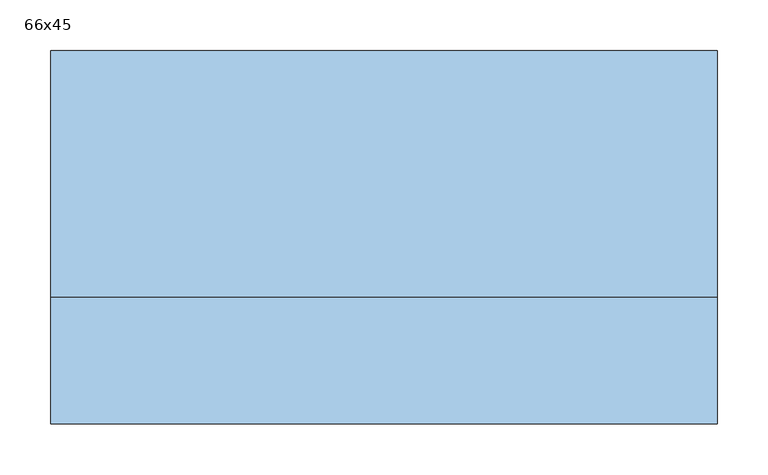
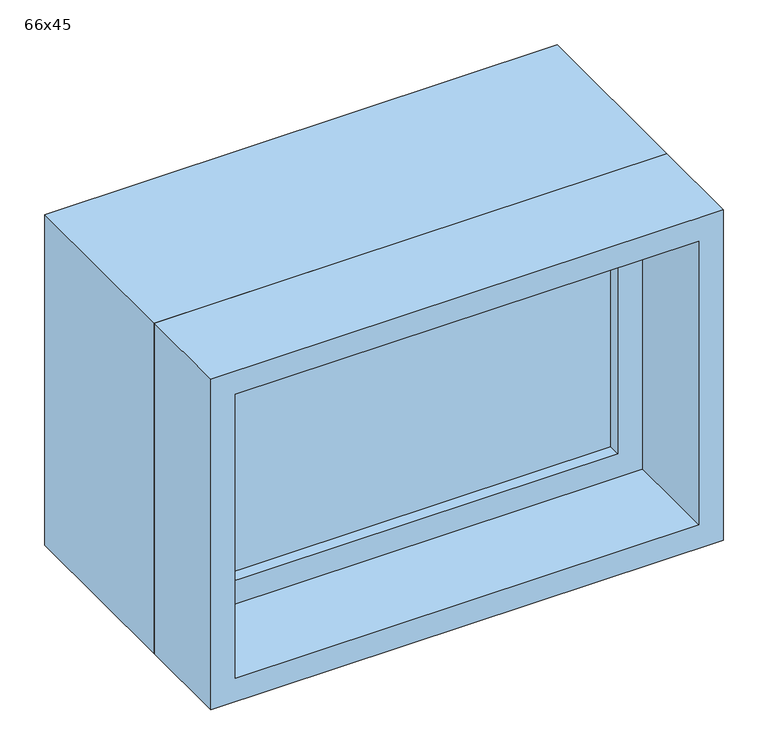
"""IFC4 building model written with IfcOpenShell, lengths in millimetres: window geometry, 66x45."""

from ifc_helpers import new_model, si_unit, frame, origin, place, context, project, spatial, polyline, outline, extrude, source, transform, mapped, element, save


def window_66x45_e4514a0b(model_context):
    return source(origin(), model_context, "Body", "SweptSolid", [
        extrude(outline(polyline([(228.4, -43.575), (-304.6, -43.575), (-304.6, -30.875), (228.4, -30.875), (228.4, -43.575)])), frame((0.0, 0.0, 963.5), z_axis=(0.0, 0.0, 1.0), x_axis=(1.0, 0.0, 0.0)), (0.0, 0.0, 1.0), 323.0),
        extrude(outline(polyline([(1330.95, -349.05), (919.05, -349.05), (919.05, 272.85), (1330.95, 272.85), (1330.95, -349.05)]), holes=[polyline([(1286.5, -304.6), (1286.5, 228.4), (963.5, 228.4), (963.5, -304.6), (1286.5, -304.6)])]), frame((0.0, -59.45, 0.0), z_axis=(0.0, 1.0, 0.0), x_axis=(0.0, 0.0, 1.0)), (0.0, 0.0, 1.0), 44.45),
        extrude(outline(polyline([(1350.0, -368.1), (900.0, -368.1), (900.0, 291.9), (1350.0, 291.9), (1350.0, -368.1)]), holes=[polyline([(1318.25, -336.35), (1318.25, 260.15), (931.75, 260.15), (931.75, -336.35), (1318.25, -336.35)])]), frame((0.0, -185.0, 0.0), z_axis=(0.0, 1.0, 0.0), x_axis=(0.0, 0.0, 1.0)), (0.0, 0.0, 1.0), 125.55),
        extrude(outline(polyline([(1350.0, 291.9), (1350.0, -368.1), (900.0, -368.1), (900.0, 291.9), (1350.0, 291.9)]), holes=[polyline([(1330.95, 272.85), (919.05, 272.85), (919.05, -349.05), (1330.95, -349.05), (1330.95, 272.85)])]), frame((0.0, -59.45, 0.0), z_axis=(0.0, 1.0, 0.0), x_axis=(0.0, 0.0, 1.0)), (0.0, 0.0, 1.0), 244.45),
    ])


if __name__ == "__main__":
    model = new_model("IFC4")
    model_context = context("Model", 3, world=origin())
    ifc_project = project(units=[si_unit("LENGTHUNIT", "METRE", prefix="MILLI")], contexts=[model_context])
    site = spatial("IfcSite", under=ifc_project)
    building = spatial("IfcBuilding", under=site)
    placement = place(None, origin())
    window_66x45_shape = window_66x45_e4514a0b(model_context)
    element("IfcWindow", 1, ObjectType="66x45", at=placement, inside=building, context=model_context, shape_type="MappedRepresentation", body=[
        mapped(window_66x45_shape, transform((0.0, 0.0, 0.0), x_axis=(1.0, 0.0, 0.0), y_axis=(0.0, 1.0, 0.0), z_axis=(0.0, 0.0, 1.0))),
    ])
    save(model, "model.ifc")
